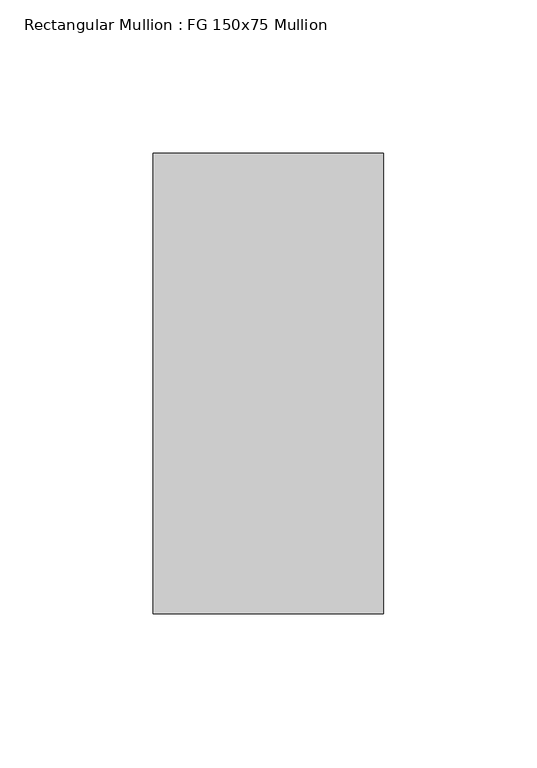
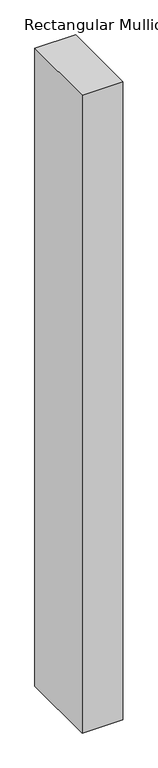
"""IFC4 building model written with IfcOpenShell, lengths in millimetres: member geometry, Rectangular Mullion : FG 150x75 Mullion."""

from ifc_helpers import new_model, si_unit, frame, origin, place, context, project, spatial, polyline, outline, extrude, source, transform, mapped, element, save


def rectangular_mullion_fg_150x75_mullion_e7094f30(model_context):
    return source(origin(), model_context, "Body", "SweptSolid", [
        extrude(outline(polyline([(37.5, 75.0), (37.5, -75.0), (-37.5, -75.0), (-37.5, 75.0), (37.5, 75.0)])), frame((0.0, 0.0, -1238.8331729), z_axis=(0.0, 0.0, 1.0), x_axis=(1.0, 0.0, 0.0)), (0.0, 0.0, 1.0), 1238.8331729),
    ])


if __name__ == "__main__":
    model = new_model("IFC4")
    model_context = context("Model", 3, world=origin())
    ifc_project = project(units=[si_unit("LENGTHUNIT", "METRE", prefix="MILLI")], contexts=[model_context])
    site = spatial("IfcSite", under=ifc_project)
    building = spatial("IfcBuilding", under=site)
    placement = place(None, origin())
    rectangular_mullion_fg_150x75_mullion_shape = rectangular_mullion_fg_150x75_mullion_e7094f30(model_context)
    element("IfcMember", 1, ObjectType="Rectangular Mullion : FG 150x75 Mullion", at=placement, inside=building, context=model_context, shape_type="MappedRepresentation", body=[
        mapped(rectangular_mullion_fg_150x75_mullion_shape, transform((0.0, 0.0, 0.0), x_axis=(1.0, 0.0, 0.0), y_axis=(0.0, 1.0, 0.0), z_axis=(0.0, 0.0, 1.0))),
    ])
    save(model, "model.ifc")
